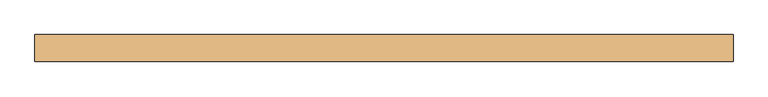
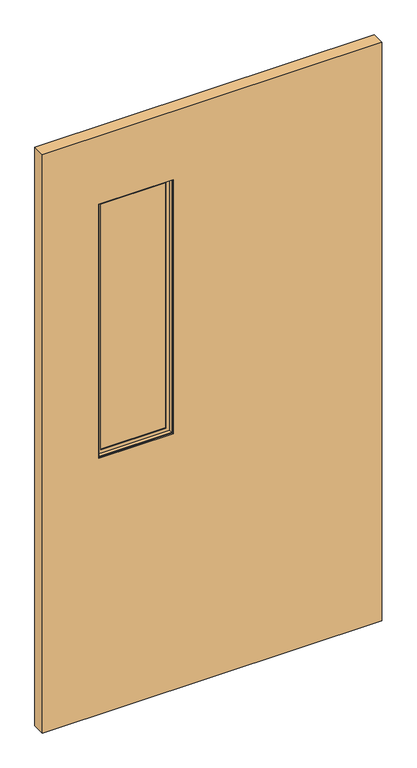
"""IFC4 building model written with IfcOpenShell, lengths in millimetres: door geometry."""

from ifc_helpers import new_model, si_unit, frame, origin, place, context, project, spatial, polyline, outline, extrude, faceted_brep, source, transform, mapped, element, save


def door_256851bf(model_context):
    return source(origin(), model_context, "Body", "SolidModel", [
        extrude(outline(polyline([(-137.3964326, -3.175), (-399.0164326, -3.175), (-399.0164326, 3.175), (-137.3964326, 3.175), (-137.3964326, -3.175)])), frame((0.0, 0.0, 968.7435027), z_axis=(0.0, 0.0, 1.0), x_axis=(1.0, 0.0, 0.0)), (0.0, 0.0, 1.0), 947.42),
        faceted_brep([(-383.1258536, 3.797467, 1900.2729238), (-383.1258536, 3.797467, 984.6340817), (-383.1258536, 6.9755828, 984.6340817), (-383.1258536, 6.9755828, 1900.2729238), (-153.2870115, 3.797467, 984.6340817), (-153.2870115, 6.9755828, 984.6340817), (-140.5745484, 6.9755828, 971.9216185), (-395.8383168, 6.9755828, 971.9216185), (-395.8383168, 6.9755828, 1912.9853869), (-140.5745484, 6.9755828, 1912.9853869), (-153.2870115, 6.9755828, 1900.2729238), (-153.2870115, 3.797467, 1900.2729238), (-399.0164326, 3.797467, 968.7435027), (-137.3964326, 3.797467, 968.7435027), (-137.3964326, 3.797467, 1916.1635027), (-399.0164326, 3.797467, 1916.1635027), (-399.0164326, 19.688046, 1916.1635027), (-399.0164326, 19.688046, 968.7435027), (-137.3964326, 19.688046, 968.7435027), (-137.3964326, 19.688046, 1916.1635027), (-395.8383168, 19.688046, 971.9216185), (-140.5745484, 19.688046, 971.9216185), (-140.5745484, 19.688046, 1912.9853869), (-395.8383168, 19.688046, 1912.9853869)], [[[0, 1, 2, 3]], [[1, 4, 5, 2]], [[6, 7, 8, 9], [2, 5, 10, 3]], [[4, 11, 10, 5]], [[12, 13, 14, 15], [4, 1, 0, 11]], [[16, 17, 12, 15]], [[17, 18, 13, 12]], [[18, 19, 14, 13]], [[18, 17, 16, 19], [20, 21, 22, 23]], [[8, 7, 20, 23]], [[7, 6, 21, 20]], [[6, 9, 22, 21]], [[11, 0, 3, 10]], [[19, 16, 15, 14]], [[9, 8, 23, 22]]]),
        faceted_brep([(-395.8383168, -19.688046, 1912.9853869), (-395.8383168, -19.688046, 971.9216185), (-395.8383168, -6.9755828, 971.9216185), (-395.8383168, -6.9755828, 1912.9853869), (-140.5745484, -19.688046, 971.9216185), (-140.5745484, -6.9755828, 971.9216185), (-140.5745484, -6.9755828, 1912.9853869), (-153.2870115, -6.9755828, 984.6340817), (-383.1258536, -6.9755828, 984.6340817), (-383.1258536, -6.9755828, 1900.2729238), (-153.2870115, -6.9755828, 1900.2729238), (-140.5745484, -19.688046, 1912.9853869), (-399.0164326, -19.688046, 968.7435027), (-137.3964326, -19.688046, 968.7435027), (-137.3964326, -19.688046, 1916.1635027), (-399.0164326, -19.688046, 1916.1635027), (-399.0164326, -3.797467, 1916.1635027), (-399.0164326, -3.797467, 968.7435027), (-137.3964326, -3.797467, 968.7435027), (-137.3964326, -3.797467, 1916.1635027), (-383.1258536, -3.797467, 984.6340817), (-153.2870115, -3.797467, 984.6340817), (-153.2870115, -3.797467, 1900.2729238), (-383.1258536, -3.797467, 1900.2729238)], [[[0, 1, 2, 3]], [[1, 4, 5, 2]], [[2, 5, 6, 3], [7, 8, 9, 10]], [[4, 11, 6, 5]], [[12, 13, 14, 15], [4, 1, 0, 11]], [[16, 17, 12, 15]], [[17, 18, 13, 12]], [[18, 19, 14, 13]], [[18, 17, 16, 19], [20, 21, 22, 23]], [[9, 8, 20, 23]], [[8, 7, 21, 20]], [[7, 10, 22, 21]], [[11, 0, 3, 6]], [[19, 16, 15, 14]], [[10, 9, 23, 22]]]),
        extrude(outline(polyline([(2170.1635027, -598.4064326), (12.7, -598.4064326), (12.7, 598.4064326), (2170.1635027, 598.4064326), (2170.1635027, -598.4064326)]), holes=[polyline([(1916.1635027, -137.3964326), (968.7435027, -137.3964326), (968.7435027, -399.0164326), (1916.1635027, -399.0164326), (1916.1635027, -137.3964326)])]), frame((0.0, -23.114, 0.0), z_axis=(0.0, 1.0, 0.0), x_axis=(0.0, 0.0, 1.0)), (0.0, 0.0, 1.0), 46.228),
        extrude(outline(polyline([(573.0064326, 9.8925062), (-573.0064326, 9.8925062), (-573.0064326, 11.4927062), (573.0064326, 11.4927062), (573.0064326, 9.8925062)])), frame((0.0, 0.0, 12.7), z_axis=(0.0, 0.0, 1.0), x_axis=(1.0, 0.0, 0.0)), (0.0, 0.0, 1.0), 254.0),
        extrude(outline(polyline([(573.0064326, 21.5634094), (-573.0064326, 21.5634094), (-573.0064326, 23.114), (573.0064326, 23.114), (573.0064326, 21.5634094)])), frame((0.0, 0.0, 12.7), z_axis=(0.0, 0.0, 1.0), x_axis=(1.0, 0.0, 0.0)), (0.0, 0.0, 1.0), 254.0),
    ])


if __name__ == "__main__":
    model = new_model("IFC4")
    model_context = context("Model", 3, world=origin())
    ifc_project = project(units=[si_unit("LENGTHUNIT", "METRE", prefix="MILLI")], contexts=[model_context])
    site = spatial("IfcSite", under=ifc_project)
    building = spatial("IfcBuilding", under=site)
    placement = place(None, origin())
    door_shape = door_256851bf(model_context)
    element("IfcDoor", 1, at=placement, inside=building, context=model_context, shape_type="MappedRepresentation", body=[
        mapped(door_shape, transform((0.0, 0.0, 0.0), x_axis=(1.0, 0.0, 0.0), y_axis=(0.0, 1.0, 0.0), z_axis=(0.0, 0.0, 1.0))),
    ])
    save(model, "model.ifc")
